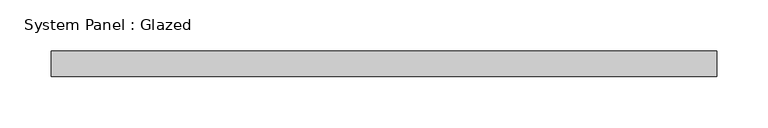
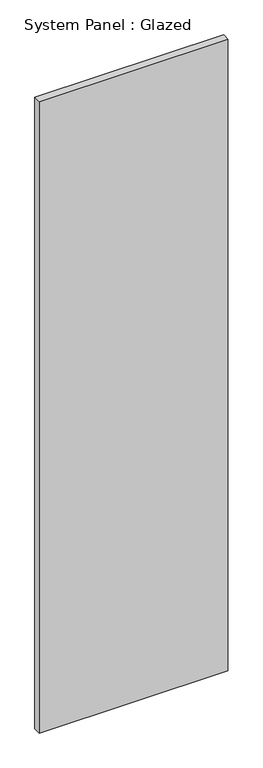
"""IFC4 building model written with IfcOpenShell, lengths in millimetres: plate geometry, System Panel : Glazed."""

from ifc_helpers import new_model, si_unit, origin, origin_with_axes, place, context, project, spatial, polyline, outline, extrude, source, transform, mapped, element, save


def system_panel_glazed_09ecf955(model_context):
    return source(origin(), model_context, "Body", "SweptSolid", [
        extrude(outline(polyline([(325.0, -49.5), (-325.0, -49.5), (-325.0, -24.5), (325.0, -24.5), (325.0, -49.5)])), origin_with_axes(), (0.0, 0.0, 1.0), 2300.0),
    ])


if __name__ == "__main__":
    model = new_model("IFC4")
    model_context = context("Model", 3, world=origin())
    ifc_project = project(units=[si_unit("LENGTHUNIT", "METRE", prefix="MILLI")], contexts=[model_context])
    site = spatial("IfcSite", under=ifc_project)
    building = spatial("IfcBuilding", under=site)
    placement = place(None, origin())
    system_panel_glazed_shape = system_panel_glazed_09ecf955(model_context)
    element("IfcPlate", 1, ObjectType="System Panel : Glazed", at=placement, inside=building, context=model_context, shape_type="MappedRepresentation", body=[
        mapped(system_panel_glazed_shape, transform((0.0, 0.0, 0.0), x_axis=(1.0, 0.0, 0.0), y_axis=(0.0, 1.0, 0.0), z_axis=(0.0, 0.0, 1.0))),
    ])
    save(model, "model.ifc")
